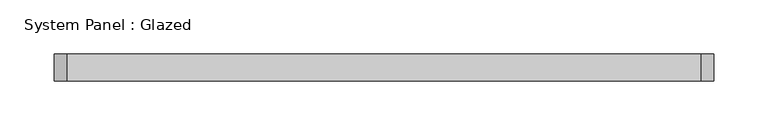
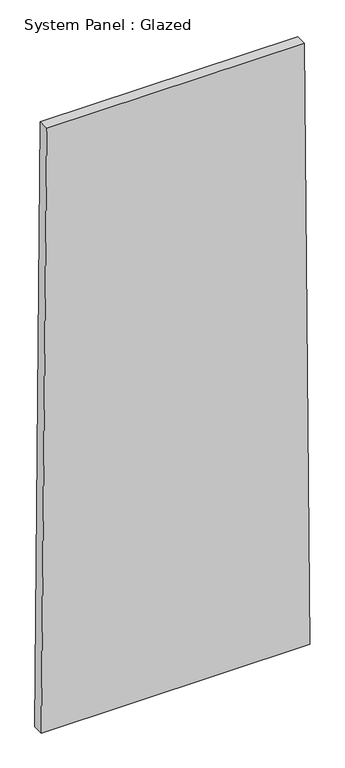
"""IFC4 building model written with IfcOpenShell, lengths in millimetres: plate geometry, System Panel : Glazed."""

from ifc_helpers import new_model, si_unit, frame, origin, place, context, project, spatial, polyline, outline, extrude, source, transform, mapped, element, save


def system_panel_glazed_be462751(model_context):
    return source(origin(), model_context, "Body", "SweptSolid", [
        extrude(outline(polyline([(0.0, -305.1682756), (0.0, 305.1682756), (1449.9455587, 292.8140036), (1449.9456076, -292.8135903), (0.0, -305.1682756)])), frame((0.0, -49.5, 0.0), z_axis=(0.0, 1.0, 0.0), x_axis=(0.0, 0.0, 1.0)), (0.0, 0.0, 1.0), 25.0),
    ])


if __name__ == "__main__":
    model = new_model("IFC4")
    model_context = context("Model", 3, world=origin())
    ifc_project = project(units=[si_unit("LENGTHUNIT", "METRE", prefix="MILLI")], contexts=[model_context])
    site = spatial("IfcSite", under=ifc_project)
    building = spatial("IfcBuilding", under=site)
    placement = place(None, origin())
    system_panel_glazed_shape = system_panel_glazed_be462751(model_context)
    element("IfcPlate", 1, ObjectType="System Panel : Glazed", at=placement, inside=building, context=model_context, shape_type="MappedRepresentation", body=[
        mapped(system_panel_glazed_shape, transform((0.0, 0.0, 0.0), x_axis=(1.0, 0.0, 0.0), y_axis=(0.0, 1.0, 0.0), z_axis=(0.0, 0.0, 1.0))),
    ])
    save(model, "model.ifc")
